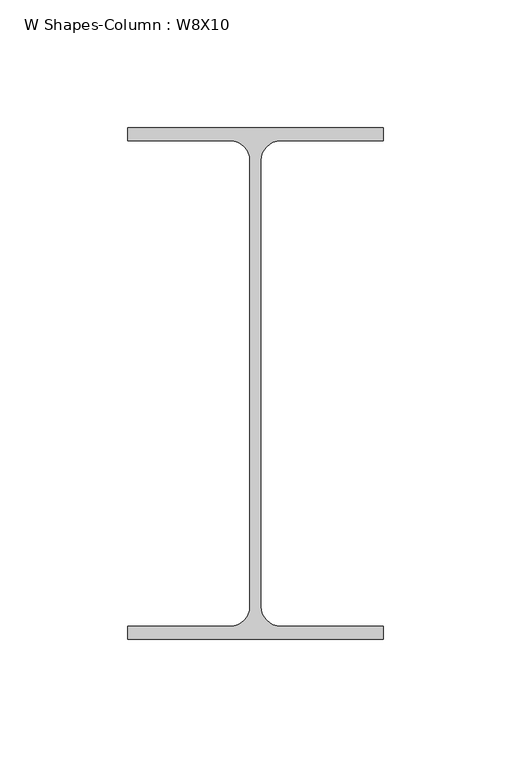
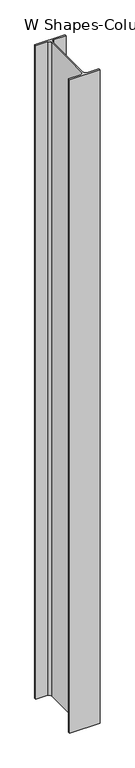
"""IFC4 building model written with IfcOpenShell, lengths in millimetres: column geometry, W Shapes-Column : W8X10."""

from ifc_helpers import new_model, si_unit, point, frame_2d, origin, origin_with_axes, place, context, project, spatial, polyline, circle_curve, trimmed, segment, composite_curve, outline, extrude, source, transform, mapped, element, save


def w_shapes_column_w8x10_eb10abce(model_context):
    return source(origin(), model_context, "Body", "SweptSolid", [
        extrude(outline(composite_curve([segment(polyline([(50.038, 100.203), (50.038, 94.996), (9.779, 94.996)]), True, "CONTINUOUS"), segment(trimmed(circle_curve(frame_2d((9.779, 87.376)), 7.62), [point((9.779, 94.996))], [point((2.159, 87.376))], True, "CARTESIAN"), True, "CONTINUOUS"), segment(polyline([(2.159, 87.376), (2.159, -87.376)]), True, "CONTINUOUS"), segment(trimmed(circle_curve(frame_2d((9.779, -87.376)), 7.62), [point((2.159, -87.376))], [point((9.779, -94.996))], True, "CARTESIAN"), True, "CONTINUOUS"), segment(polyline([(9.779, -94.996), (50.038, -94.996), (50.038, -100.203), (-50.038, -100.203), (-50.038, -94.996), (-9.779, -94.996)]), True, "CONTINUOUS"), segment(trimmed(circle_curve(frame_2d((-9.779, -87.376)), 7.62), [point((-9.779, -94.996))], [point((-2.159, -87.376))], True, "CARTESIAN"), True, "CONTINUOUS"), segment(polyline([(-2.159, -87.376), (-2.159, 87.376)]), True, "CONTINUOUS"), segment(trimmed(circle_curve(frame_2d((-9.779, 87.376)), 7.62), [point((-2.159, 87.376))], [point((-9.779, 94.996))], True, "CARTESIAN"), True, "CONTINUOUS"), segment(polyline([(-9.779, 94.996), (-50.038, 94.996), (-50.038, 100.203), (50.038, 100.203)]), True, "CONTINUOUS")], self_intersect=False)), origin_with_axes(), (0.0, 0.0, 1.0), 2286.0),
    ])


if __name__ == "__main__":
    model = new_model("IFC4")
    model_context = context("Model", 3, world=origin())
    ifc_project = project(units=[si_unit("LENGTHUNIT", "METRE", prefix="MILLI")], contexts=[model_context])
    site = spatial("IfcSite", under=ifc_project)
    building = spatial("IfcBuilding", under=site)
    placement = place(None, origin())
    w_shapes_column_w8x10_shape = w_shapes_column_w8x10_eb10abce(model_context)
    element("IfcColumn", 1, ObjectType="W Shapes-Column : W8X10", at=placement, inside=building, context=model_context, shape_type="MappedRepresentation", body=[
        mapped(w_shapes_column_w8x10_shape, transform((0.0, 0.0, 0.0), x_axis=(1.0, 0.0, 0.0), y_axis=(0.0, 1.0, 0.0), z_axis=(0.0, 0.0, 1.0))),
    ])
    save(model, "model.ifc")
